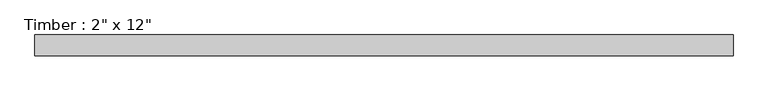
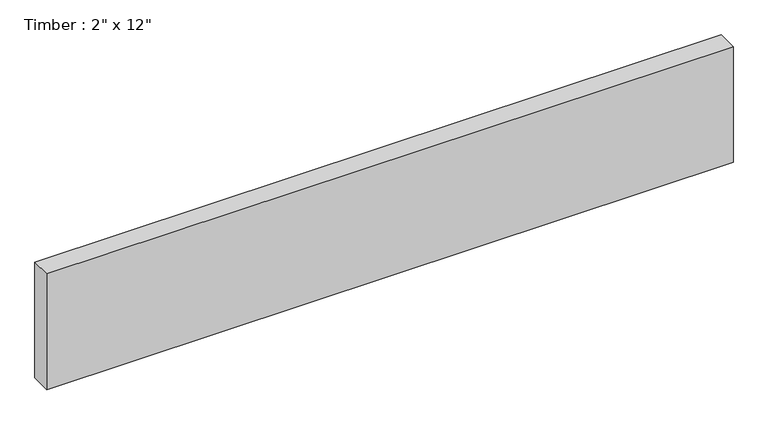
"""IFC4 building model written with IfcOpenShell, lengths in millimetres: beam geometry."""

from ifc_helpers import new_model, si_unit, frame, origin, place, context, project, spatial, polyline, outline, extrude, source, transform, mapped, element, save


def beam_883337a4(model_context):
    return source(origin(), model_context, "Body", "SweptSolid", [
        extrude(outline(polyline([(817.0900458, 25.4), (817.0900458, -25.4), (-892.535696, -25.4), (-892.535696, 25.4), (817.0900458, 25.4)])), frame((0.0, 0.0, -152.4), z_axis=(0.0, 0.0, 1.0), x_axis=(1.0, 0.0, 0.0)), (0.0, 0.0, 1.0), 304.8),
    ])


if __name__ == "__main__":
    model = new_model("IFC4")
    model_context = context("Model", 3, world=origin())
    ifc_project = project(units=[si_unit("LENGTHUNIT", "METRE", prefix="MILLI")], contexts=[model_context])
    site = spatial("IfcSite", under=ifc_project)
    building = spatial("IfcBuilding", under=site)
    placement = place(None, origin())
    beam_shape = beam_883337a4(model_context)
    element("IfcBeam", 1, ObjectType="Timber : 2\" x 12\"", at=placement, inside=building, context=model_context, shape_type="MappedRepresentation", body=[
        mapped(beam_shape, transform((0.0, 0.0, 0.0), x_axis=(1.0, 0.0, 0.0), y_axis=(0.0, 1.0, 0.0), z_axis=(0.0, 0.0, 1.0))),
    ])
    save(model, "model.ifc")
